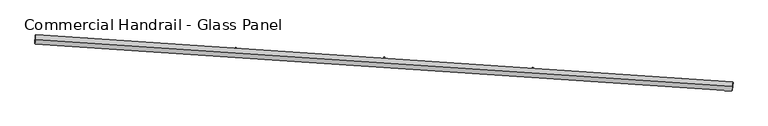
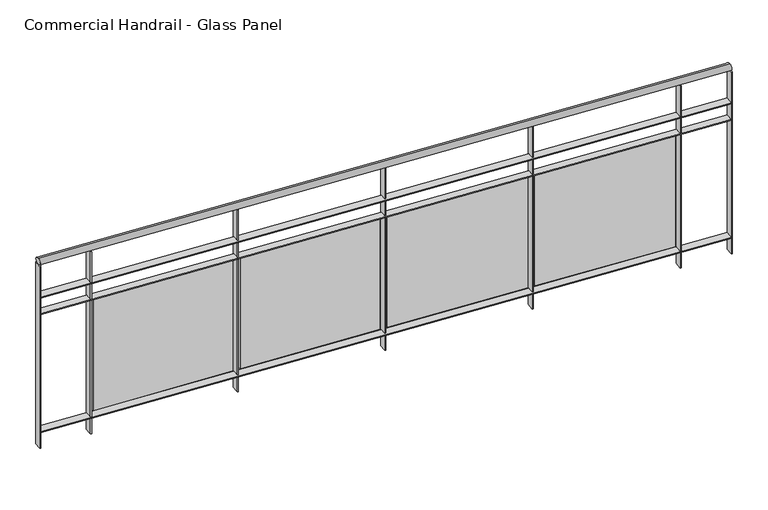
"""IFC4 building model written with IfcOpenShell, lengths in millimetres: railing geometry, Commercial Handrail - Glass Panel."""

from ifc_helpers import new_model, si_unit, point, frame, origin, place, context, project, spatial, polyline, circle_curve, ellipse_curve, trimmed, outline, extrude, source, transform, mapped, element, save
from ifc_brep_helpers import plane_surface, cylinder_surface, revolved_surface, advanced_brep


def commercial_handrail_glass_panel_21f2ee6d(model_context):
    return source(origin(), model_context, "Body", "SolidModel", [
        advanced_brep(
        [(127087.1570921, -8003.1164337, 19682.5), (123343.3137882, -7749.5898626, 19682.5), (123343.3137882, -7749.5898626, 19717.5), (127087.1570921, -8003.1164337, 19717.5)],
        [
            (0, 1, circle_curve(frame((111605.6979329, -208849.2754237, 19682.5), z_axis=(0.0, 0.0, 1.0), x_axis=(0.05826798461119784, 0.9983009776461952, 0.0)), 201441.93992)),
            (1, 2, ellipse_curve(frame((123343.3137882, -7749.5898626, 19700.0), z_axis=(0.9983009776461951, -0.05826798461120429, 0.0), x_axis=(-0.058267984611204277, -0.9983009776461949, 0.0)), 25.0, 17.5)),
            (2, 3, circle_curve(frame((111605.6979329, -208849.2754237, 19717.5), z_axis=(0.0, 0.0, -1.0), x_axis=(0.05826798461119784, 0.9983009776461952, 0.0)), 201441.93992)),
            (3, 0, ellipse_curve(frame((127087.1570921, -8003.1164337, 19700.0), z_axis=(-0.9970424186232612, 0.07685320725823905, 0.0), x_axis=(-0.07685320725823903, -0.9970424186232609, 0.0)), 25.0, 17.5)),
            (2, 1, ellipse_curve(frame((123343.3137882, -7749.5898626, 19700.0), z_axis=(0.9983009776461951, -0.05826798461120429, 0.0), x_axis=(-0.058267984611204277, -0.9983009776461949, 0.0)), 25.0, 17.5)),
            (0, 3, ellipse_curve(frame((127087.1570921, -8003.1164337, 19700.0), z_axis=(-0.9970424186232612, 0.07685320725823905, 0.0), x_axis=(-0.07685320725823903, -0.9970424186232609, 0.0)), 25.0, 17.5)),
        ],
        [
            revolved_surface(trimmed(ellipse_curve(frame((123343.3137882, -7749.5898626, 19700.0), z_axis=(-0.9983009776461952, 0.05826798461119784, 0.0), x_axis=(0.0, 0.0, -1.0)), 17.5, 25.0), [point((123343.3137882, -7749.5898626, 19717.5))], [point((123343.3137882, -7749.5898626, 19682.5))], True, "CARTESIAN"), (111605.6979329, -208849.2754237, 19700.0), (0.0, 0.0, -1.0)),
            revolved_surface(trimmed(ellipse_curve(frame((123343.3137882, -7749.5898626, 19700.0), z_axis=(-0.9983009776461952, 0.05826798461119784, 0.0), x_axis=(0.0, 0.0, -1.0)), 17.5, 25.0), [point((123343.3137882, -7749.5898626, 19682.5))], [point((123343.3137882, -7749.5898626, 19717.5))], True, "CARTESIAN"), (111605.6979329, -208849.2754237, 19700.0), (0.0, 0.0, -1.0)),
            plane_surface(frame((123343.3137882, -7749.5898626, 19700.0), z_axis=(-0.9983009776461953, 0.058267984611197844, 0.0), x_axis=(0.058267984611197844, 0.9983009776461953, 0.0))),
            plane_surface(frame((127087.1570921, -8003.1164337, 19700.0), z_axis=(0.9970424186232612, -0.07685320725823909, 0.0), x_axis=(0.07685320725823909, 0.9970424186232612, 0.0))),
        ],
        [
            (0, [[1, 2, 3, 4]]),
            (1, [[-3, 5, -1, 6]]),
            (2, [[-2, -5]]),
            (3, [[-6, -4]]),
        ],
    ),
        advanced_brep(
        [(127088.8862893, -7980.6829793, 19500.0), (123344.6248179, -7727.1280906, 19500.0), (123342.0027586, -7772.0516346, 19500.0), (127085.4278949, -8025.5498881, 19500.0), (127088.8862893, -7980.6829793, 19494.0), (123344.6248179, -7727.1280906, 19494.0), (127085.4278949, -8025.5498881, 19494.0), (123342.0027586, -7772.0516346, 19494.0)],
        [
            (0, 1, circle_curve(frame((111605.6979329, -208849.2754237, 19500.0), z_axis=(0.0, 0.0, 1.0), x_axis=(0.05826798461119784, 0.9983009776461952, 0.0)), 201464.43992)),
            (1, 2),
            (2, 3, circle_curve(frame((111605.6979329, -208849.2754237, 19500.0), z_axis=(0.0, 0.0, -1.0), x_axis=(0.05826798461119784, 0.9983009776461952, 0.0)), 201419.43992)),
            (3, 0),
            (4, 5, circle_curve(frame((111605.6979329, -208849.2754237, 19494.0), z_axis=(0.0, 0.0, 1.0), x_axis=(0.05826798461119784, 0.9983009776461952, 0.0)), 201464.43992)),
            (5, 1),
            (0, 4),
            (6, 7, circle_curve(frame((111605.6979329, -208849.2754237, 19494.0), z_axis=(0.0, 0.0, 1.0), x_axis=(0.05826798461119784, 0.9983009776461952, 0.0)), 201419.43992)),
            (7, 5),
            (4, 6),
            (2, 7),
            (6, 3),
        ],
        [
            plane_surface(frame((111605.6979329, -208849.2754237, 19500.0), z_axis=(0.0, 0.0, 1.0), x_axis=(0.058267984611197844, 0.9983009776461953, 0.0))),
            cylinder_surface(frame((111605.6979329, -208849.2754237, 19500.0), z_axis=(0.0, 0.0, -1.0), x_axis=(0.05826798461119784, 0.9983009776461952, 0.0)), 201464.43992),
            plane_surface(frame((111605.6979329, -208849.2754237, 19494.0), z_axis=(0.0, 0.0, -1.0), x_axis=(0.058267984611197844, 0.9983009776461953, 0.0))),
            revolved_surface(polyline([(123342.00275855465, -7772.051634614909, 19494.0), (123342.00275855465, -7772.051634614909, 19500.0)]), (111605.6979329, -208849.2754237, 19500.0), (0.0, 0.0, -1.0)),
            plane_surface(frame((123343.3137882, -7749.5898626, 19500.0), z_axis=(-0.9983009776461953, 0.058267984611197844, 0.0), x_axis=(0.058267984611197844, 0.9983009776461953, 0.0))),
            plane_surface(frame((127087.1570921, -8003.1164337, 19500.0), z_axis=(0.9970424186232612, -0.07685320725823909, 0.0), x_axis=(0.07685320725823909, 0.9970424186232612, 0.0))),
        ],
        [
            (0, [[1, 2, 3, 4]]),
            (1, [[5, 6, -1, 7]]),
            (2, [[8, 9, -5, 10]]),
            (3, [[-3, 11, -8, 12]]),
            (4, [[-2, -6, -9, -11]]),
            (5, [[-12, -10, -7, -4]]),
        ],
    ),
        advanced_brep(
        [(127088.8862893, -7980.6829793, 19400.0), (123344.6248179, -7727.1280906, 19400.0), (123342.0027586, -7772.0516346, 19400.0), (127085.4278949, -8025.5498881, 19400.0), (127088.8862893, -7980.6829793, 19394.0), (123344.6248179, -7727.1280906, 19394.0), (127085.4278949, -8025.5498881, 19394.0), (123342.0027586, -7772.0516346, 19394.0)],
        [
            (0, 1, circle_curve(frame((111605.6979329, -208849.2754237, 19400.0), z_axis=(0.0, 0.0, 1.0), x_axis=(0.05826798461119784, 0.9983009776461952, 0.0)), 201464.43992)),
            (1, 2),
            (2, 3, circle_curve(frame((111605.6979329, -208849.2754237, 19400.0), z_axis=(0.0, 0.0, -1.0), x_axis=(0.05826798461119784, 0.9983009776461952, 0.0)), 201419.43992)),
            (3, 0),
            (4, 5, circle_curve(frame((111605.6979329, -208849.2754237, 19394.0), z_axis=(0.0, 0.0, 1.0), x_axis=(0.05826798461119784, 0.9983009776461952, 0.0)), 201464.43992)),
            (5, 1),
            (0, 4),
            (6, 7, circle_curve(frame((111605.6979329, -208849.2754237, 19394.0), z_axis=(0.0, 0.0, 1.0), x_axis=(0.05826798461119784, 0.9983009776461952, 0.0)), 201419.43992)),
            (7, 5),
            (4, 6),
            (2, 7),
            (6, 3),
        ],
        [
            plane_surface(frame((111605.6979329, -208849.2754237, 19400.0), z_axis=(0.0, 0.0, 1.0), x_axis=(0.058267984611197844, 0.9983009776461953, 0.0))),
            cylinder_surface(frame((111605.6979329, -208849.2754237, 19400.0), z_axis=(0.0, 0.0, -1.0), x_axis=(0.05826798461119784, 0.9983009776461952, 0.0)), 201464.43992),
            plane_surface(frame((111605.6979329, -208849.2754237, 19394.0), z_axis=(0.0, 0.0, -1.0), x_axis=(0.058267984611197844, 0.9983009776461953, 0.0))),
            revolved_surface(polyline([(123342.00275855465, -7772.051634614909, 19394.0), (123342.00275855465, -7772.051634614909, 19400.0)]), (111605.6979329, -208849.2754237, 19400.0), (0.0, 0.0, -1.0)),
            plane_surface(frame((123343.3137882, -7749.5898626, 19400.0), z_axis=(-0.9983009776461953, 0.058267984611197844, 0.0), x_axis=(0.058267984611197844, 0.9983009776461953, 0.0))),
            plane_surface(frame((127087.1570921, -8003.1164337, 19400.0), z_axis=(0.9970424186232612, -0.07685320725823909, 0.0), x_axis=(0.07685320725823909, 0.9970424186232612, 0.0))),
        ],
        [
            (0, [[1, 2, 3, 4]]),
            (1, [[5, 6, -1, 7]]),
            (2, [[8, 9, -5, 10]]),
            (3, [[-3, 11, -8, 12]]),
            (4, [[-2, -6, -9, -11]]),
            (5, [[-12, -10, -7, -4]]),
        ],
    ),
        advanced_brep(
        [(127088.8862893, -7980.6829793, 18700.0), (123344.6248179, -7727.1280906, 18700.0), (123342.0027586, -7772.0516346, 18700.0), (127085.4278949, -8025.5498881, 18700.0), (127088.8862893, -7980.6829793, 18694.0), (123344.6248179, -7727.1280906, 18694.0), (127085.4278949, -8025.5498881, 18694.0), (123342.0027586, -7772.0516346, 18694.0)],
        [
            (0, 1, circle_curve(frame((111605.6979329, -208849.2754237, 18700.0), z_axis=(0.0, 0.0, 1.0), x_axis=(0.05826798461119784, 0.9983009776461952, 0.0)), 201464.43992)),
            (1, 2),
            (2, 3, circle_curve(frame((111605.6979329, -208849.2754237, 18700.0), z_axis=(0.0, 0.0, -1.0), x_axis=(0.05826798461119784, 0.9983009776461952, 0.0)), 201419.43992)),
            (3, 0),
            (4, 5, circle_curve(frame((111605.6979329, -208849.2754237, 18694.0), z_axis=(0.0, 0.0, 1.0), x_axis=(0.05826798461119784, 0.9983009776461952, 0.0)), 201464.43992)),
            (5, 1),
            (0, 4),
            (6, 7, circle_curve(frame((111605.6979329, -208849.2754237, 18694.0), z_axis=(0.0, 0.0, 1.0), x_axis=(0.05826798461119784, 0.9983009776461952, 0.0)), 201419.43992)),
            (7, 5),
            (4, 6),
            (2, 7),
            (6, 3),
        ],
        [
            plane_surface(frame((111605.6979329, -208849.2754237, 18700.0), z_axis=(0.0, 0.0, 1.0), x_axis=(0.058267984611197844, 0.9983009776461953, 0.0))),
            cylinder_surface(frame((111605.6979329, -208849.2754237, 18700.0), z_axis=(0.0, 0.0, -1.0), x_axis=(0.05826798461119784, 0.9983009776461952, 0.0)), 201464.43992),
            plane_surface(frame((111605.6979329, -208849.2754237, 18694.0), z_axis=(0.0, 0.0, -1.0), x_axis=(0.058267984611197844, 0.9983009776461953, 0.0))),
            revolved_surface(polyline([(123342.00275855465, -7772.051634614909, 18694.0), (123342.00275855465, -7772.051634614909, 18700.0)]), (111605.6979329, -208849.2754237, 18700.0), (0.0, 0.0, -1.0)),
            plane_surface(frame((123343.3137882, -7749.5898626, 18700.0), z_axis=(-0.9983009776461953, 0.058267984611197844, 0.0), x_axis=(0.058267984611197844, 0.9983009776461953, 0.0))),
            plane_surface(frame((127087.1570921, -8003.1164337, 18700.0), z_axis=(0.9970424186232612, -0.07685320725823909, 0.0), x_axis=(0.07685320725823909, 0.9970424186232612, 0.0))),
        ],
        [
            (0, [[1, 2, 3, 4]]),
            (1, [[5, 6, -1, 7]]),
            (2, [[8, 9, -5, 10]]),
            (3, [[-3, 11, -8, 12]]),
            (4, [[-2, -6, -9, -11]]),
            (5, [[-12, -10, -7, -4]]),
        ],
    ),
        extrude(outline(polyline([(126807.0337746, -8004.2850074), (126810.43064, -7959.4133983), (126816.4135212, -7959.8663137), (126813.0166558, -8004.7379228), (126807.0337746, -8004.2850074)])), frame((0.0, 0.0, 18600.0), z_axis=(0.0, 0.0, 1.0), x_axis=(1.0, 0.0, 0.0)), (0.0, 0.0, 1.0), 1082.1192282),
        extrude(outline(polyline([(126034.3041964, -7918.3613778), (126792.2482403, -7974.2257342), (126791.3661716, -7986.1932717), (126033.4221277, -7930.3289154), (126034.3041964, -7918.3613778)])), frame((0.0, 0.0, 18720.0), z_axis=(0.0, 0.0, 1.0), x_axis=(1.0, 0.0, 0.0)), (0.0, 0.0, 1.0), 660.0),
        extrude(outline(polyline([(126009.2867014, -7945.4989105), (126012.5053388, -7900.614165), (126018.4899716, -7901.0433167), (126015.2713341, -7945.9280621), (126009.2867014, -7945.4989105)])), frame((0.0, 0.0, 18600.0), z_axis=(0.0, 0.0, 1.0), x_axis=(1.0, 0.0, 0.0)), (0.0, 0.0, 1.0), 1082.1192282),
        extrude(outline(polyline([(125236.2219835, -7862.6447436), (125994.3819077, -7915.4985929), (125993.5473732, -7927.4695391), (125235.387449, -7874.6156898), (125236.2219835, -7862.6447436)])), frame((0.0, 0.0, 18720.0), z_axis=(0.0, 0.0, 1.0), x_axis=(1.0, 0.0, 0.0)), (0.0, 0.0, 1.0), 660.0),
        extrude(outline(polyline([(125211.3124586, -7889.8814157), (125214.3528173, -7844.9842418), (125220.3391071, -7845.389623), (125217.2987484, -7890.2867968), (125211.3124586, -7889.8814157)])), frame((0.0, 0.0, 18600.0), z_axis=(0.0, 0.0, 1.0), x_axis=(1.0, 0.0, 0.0)), (0.0, 0.0, 1.0), 1082.1192282),
        extrude(outline(polyline([(124437.9247935, -7810.0980184), (125196.2886404, -7859.940527), (125195.5016534, -7871.914693), (124437.1378065, -7822.0721844), (124437.9247935, -7810.0980184)])), frame((0.0, 0.0, 18720.0), z_axis=(0.0, 0.0, 1.0), x_axis=(1.0, 0.0, 0.0)), (0.0, 0.0, 1.0), 660.0),
        extrude(outline(polyline([(124413.1236316, -7837.4334002), (124415.9856636, -7792.5245061), (124421.9735161, -7792.9061104), (124419.1114841, -7837.8150045), (124413.1236316, -7837.4334002)])), frame((0.0, 0.0, 18600.0), z_axis=(0.0, 0.0, 1.0), x_axis=(1.0, 0.0, 0.0)), (0.0, 0.0, 1.0), 1082.1192282),
        extrude(outline(polyline([(123639.4252169, -7760.7220307), (124397.9810259, -7807.5524126), (124397.2415988, -7819.5296096), (123638.6857898, -7772.6992277), (123639.4252169, -7760.7220307)])), frame((0.0, 0.0, 18720.0), z_axis=(0.0, 0.0, 1.0), x_axis=(1.0, 0.0, 0.0)), (0.0, 0.0, 1.0), 660.0),
        extrude(outline(polyline([(123614.7328091, -7788.1556913), (123617.4164693, -7743.2357852), (123623.4057901, -7743.5936065), (123620.72213, -7788.5135127), (123614.7328091, -7788.1556913)])), frame((0.0, 0.0, 18600.0), z_axis=(0.0, 0.0, 1.0), x_axis=(1.0, 0.0, 0.0)), (0.0, 0.0, 1.0), 1082.1192282),
        extrude(outline(polyline([(127082.4367677, -8025.3193285), (127085.895162, -7980.4524197), (127091.8774165, -7980.9135389), (127088.4190222, -8025.7804477), (127082.4367677, -8025.3193285)])), frame((0.0, 0.0, 18600.0), z_axis=(0.0, 0.0, 1.0), x_axis=(1.0, 0.0, 0.0)), (0.0, 0.0, 1.0), 1082.1192282),
        extrude(outline(polyline([(123339.0078557, -7771.8768307), (123341.629915, -7726.9532867), (123347.6197208, -7727.3028946), (123344.9976615, -7772.2264386), (123339.0078557, -7771.8768307)])), frame((0.0, 0.0, 18600.0), z_axis=(0.0, 0.0, 1.0), x_axis=(1.0, 0.0, 0.0)), (0.0, 0.0, 1.0), 1082.1192282),
    ])


if __name__ == "__main__":
    model = new_model("IFC4")
    model_context = context("Model", 3, world=origin())
    ifc_project = project(units=[si_unit("LENGTHUNIT", "METRE", prefix="MILLI")], contexts=[model_context])
    site = spatial("IfcSite", under=ifc_project)
    building = spatial("IfcBuilding", under=site)
    placement = place(None, origin())
    commercial_handrail_glass_panel_shape = commercial_handrail_glass_panel_21f2ee6d(model_context)
    element("IfcRailing", 1, ObjectType="Commercial Handrail - Glass Panel", at=placement, inside=building, context=model_context, shape_type="MappedRepresentation", body=[
        mapped(commercial_handrail_glass_panel_shape, transform((0.0, 0.0, 0.0), x_axis=(1.0, 0.0, 0.0), y_axis=(0.0, 1.0, 0.0), z_axis=(0.0, 0.0, 1.0))),
    ])
    save(model, "model.ifc")
